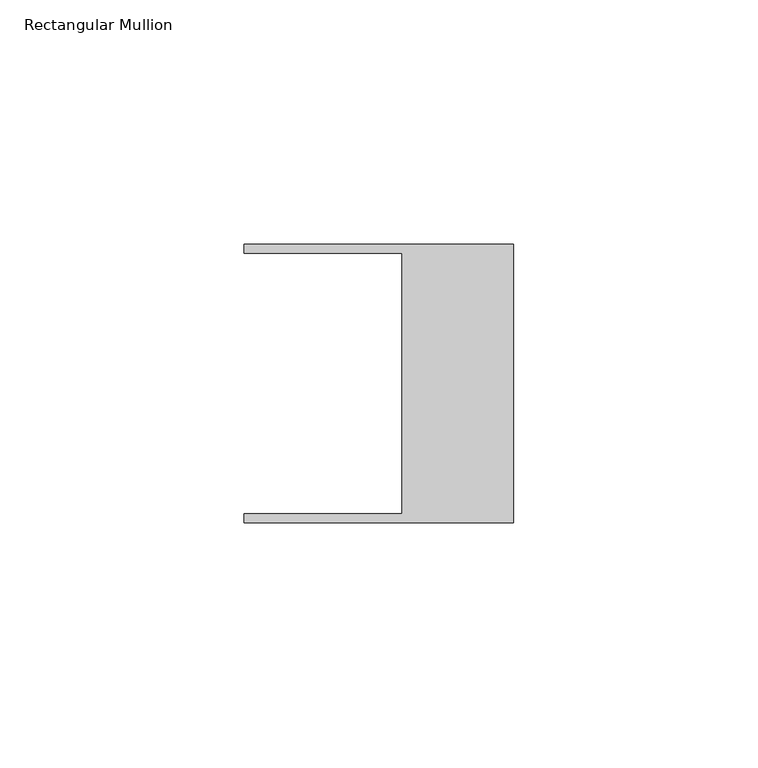
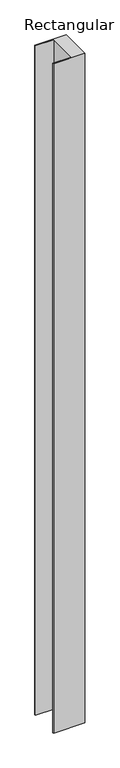
"""IFC4 building model written with IfcOpenShell, lengths in millimetres: member geometry, Rectangular Mullion."""

from ifc_helpers import new_model, si_unit, frame, origin, place, context, project, spatial, polyline, outline, extrude, source, transform, mapped, element, save


def rectangular_mullion_0c2b5d15(model_context):
    return source(origin(), model_context, "Body", "SweptSolid", [
        extrude(outline(polyline([(-55.118, 26.67), (-55.118, 28.448), (0.0, 28.448), (0.0, -28.448), (-55.118, -28.448), (-55.118, -26.67), (-22.86, -26.67), (-22.86, 26.67), (-55.118, 26.67)])), frame((0.0, 0.0, -1244.6), z_axis=(0.0, 0.0, 1.0), x_axis=(1.0, 0.0, 0.0)), (0.0, 0.0, 1.0), 1244.6),
    ])


if __name__ == "__main__":
    model = new_model("IFC4")
    model_context = context("Model", 3, world=origin())
    ifc_project = project(units=[si_unit("LENGTHUNIT", "METRE", prefix="MILLI")], contexts=[model_context])
    site = spatial("IfcSite", under=ifc_project)
    building = spatial("IfcBuilding", under=site)
    placement = place(None, origin())
    rectangular_mullion_shape = rectangular_mullion_0c2b5d15(model_context)
    element("IfcMember", 1, ObjectType="Rectangular Mullion", at=placement, inside=building, context=model_context, shape_type="MappedRepresentation", body=[
        mapped(rectangular_mullion_shape, transform((0.0, 0.0, 0.0), x_axis=(1.0, 0.0, 0.0), y_axis=(0.0, 1.0, 0.0), z_axis=(0.0, 0.0, 1.0))),
    ])
    save(model, "model.ifc")
